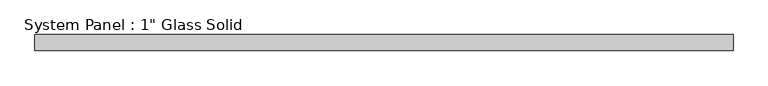
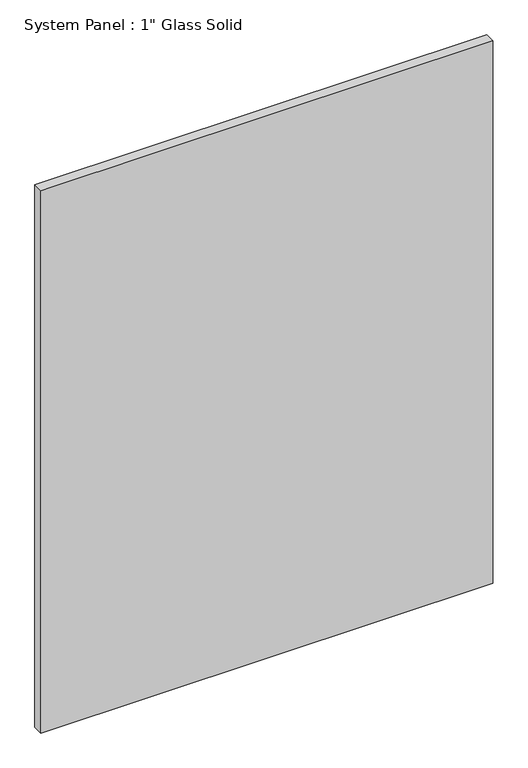
"""IFC4 building model written with IfcOpenShell, lengths in millimetres: plate geometry."""

from ifc_helpers import new_model, si_unit, origin, origin_with_axes, place, context, project, spatial, polyline, outline, extrude, source, transform, mapped, element, save


def plate_d30f9309(model_context):
    return source(origin(), model_context, "Body", "SweptSolid", [
        extrude(outline(polyline([(553.0305865, -12.7), (-553.0305865, -12.7), (-553.0305865, 12.7), (553.0305865, 12.7), (553.0305865, -12.7)])), origin_with_axes(), (0.0, 0.0, 1.0), 1403.2394027),
    ])


if __name__ == "__main__":
    model = new_model("IFC4")
    model_context = context("Model", 3, world=origin())
    ifc_project = project(units=[si_unit("LENGTHUNIT", "METRE", prefix="MILLI")], contexts=[model_context])
    site = spatial("IfcSite", under=ifc_project)
    building = spatial("IfcBuilding", under=site)
    placement = place(None, origin())
    plate_shape = plate_d30f9309(model_context)
    element("IfcPlate", 1, ObjectType="System Panel : 1\" Glass Solid", at=placement, inside=building, context=model_context, shape_type="MappedRepresentation", body=[
        mapped(plate_shape, transform((0.0, 0.0, 0.0), x_axis=(1.0, 0.0, 0.0), y_axis=(0.0, 1.0, 0.0), z_axis=(0.0, 0.0, 1.0))),
    ])
    save(model, "model.ifc")
